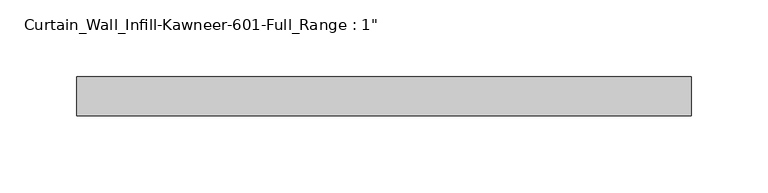
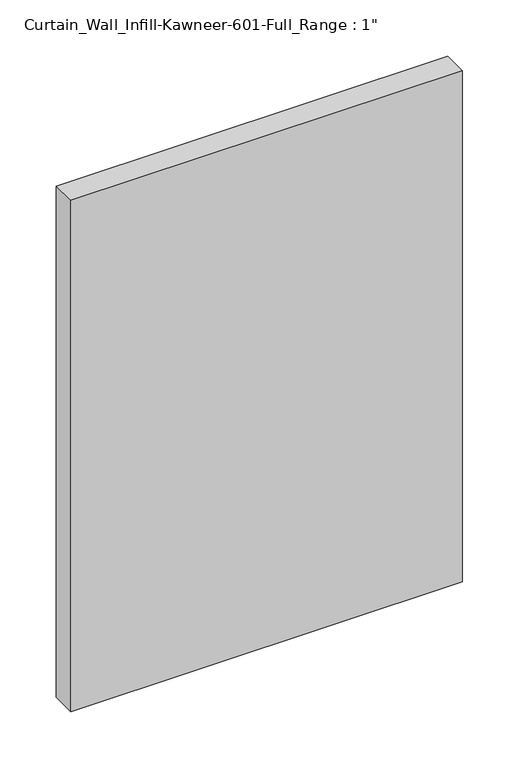
"""IFC4 building model written with IfcOpenShell, lengths in millimetres: plate geometry."""

from ifc_helpers import new_model, si_unit, origin, origin_with_axes, place, context, project, spatial, polyline, outline, extrude, source, transform, mapped, element, save


def plate_303b54b8(model_context):
    return source(origin(), model_context, "Body", "SweptSolid", [
        extrude(outline(polyline([(-200.025, 12.7), (200.025, 12.7), (200.025, -12.7), (-200.025, -12.7), (-200.025, 12.7)])), origin_with_axes(), (0.0, 0.0, 1.0), 552.45),
    ])


if __name__ == "__main__":
    model = new_model("IFC4")
    model_context = context("Model", 3, world=origin())
    ifc_project = project(units=[si_unit("LENGTHUNIT", "METRE", prefix="MILLI")], contexts=[model_context])
    site = spatial("IfcSite", under=ifc_project)
    building = spatial("IfcBuilding", under=site)
    placement = place(None, origin())
    plate_shape = plate_303b54b8(model_context)
    element("IfcPlate", 1, ObjectType="Curtain_Wall_Infill-Kawneer-601-Full_Range : 1\"", at=placement, inside=building, context=model_context, shape_type="MappedRepresentation", body=[
        mapped(plate_shape, transform((0.0, 0.0, 0.0), x_axis=(1.0, 0.0, 0.0), y_axis=(0.0, 1.0, 0.0), z_axis=(0.0, 0.0, 1.0))),
    ])
    save(model, "model.ifc")
